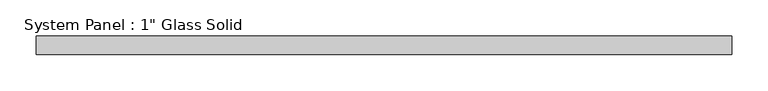
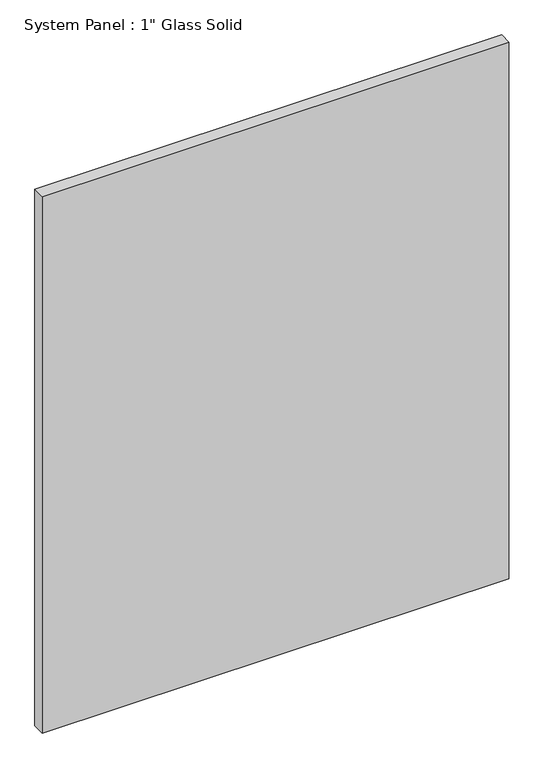
"""IFC4 building model written with IfcOpenShell, lengths in millimetres: plate geometry."""

from ifc_helpers import new_model, si_unit, origin, origin_with_axes, place, context, project, spatial, polyline, outline, extrude, source, transform, mapped, element, save


def plate_bba74960(model_context):
    return source(origin(), model_context, "Body", "SweptSolid", [
        extrude(outline(polyline([(479.4258852, -12.7), (-479.4258852, -12.7), (-479.4258852, 12.7), (479.4258852, 12.7), (479.4258852, -12.7)])), origin_with_axes(), (0.0, 0.0, 1.0), 1165.2267704),
    ])


if __name__ == "__main__":
    model = new_model("IFC4")
    model_context = context("Model", 3, world=origin())
    ifc_project = project(units=[si_unit("LENGTHUNIT", "METRE", prefix="MILLI")], contexts=[model_context])
    site = spatial("IfcSite", under=ifc_project)
    building = spatial("IfcBuilding", under=site)
    placement = place(None, origin())
    plate_shape = plate_bba74960(model_context)
    element("IfcPlate", 1, ObjectType="System Panel : 1\" Glass Solid", at=placement, inside=building, context=model_context, shape_type="MappedRepresentation", body=[
        mapped(plate_shape, transform((0.0, 0.0, 0.0), x_axis=(1.0, 0.0, 0.0), y_axis=(0.0, 1.0, 0.0), z_axis=(0.0, 0.0, 1.0))),
    ])
    save(model, "model.ifc")
